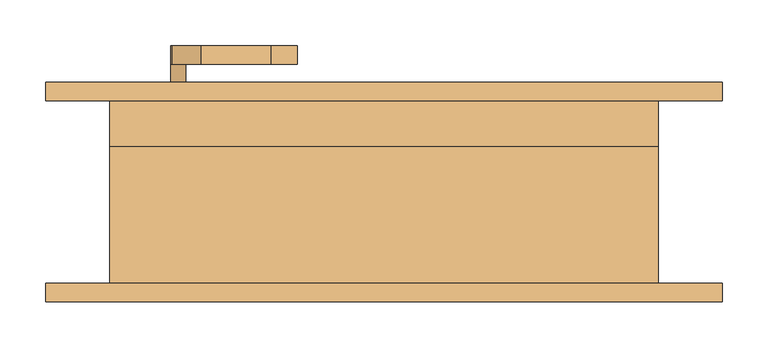
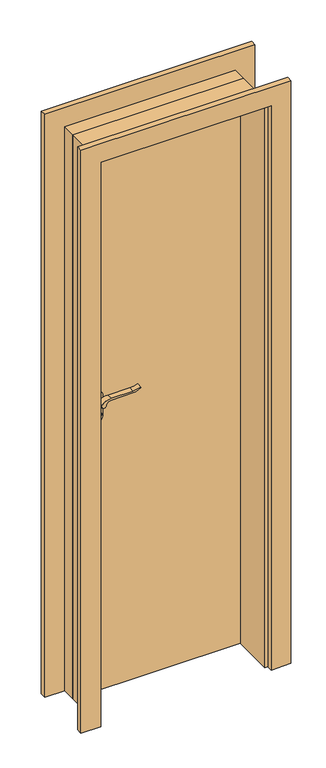
"""IFC4 building model written with IfcOpenShell, lengths in millimetres: door geometry."""

from ifc_helpers import new_model, si_unit, point, frame, frame_2d, origin, origin_with_axes, place, context, project, spatial, polyline, circle_curve, trimmed, segment, composite_curve, outline, extrude, source, transform, mapped, element, save


def door_48cdd9c5(model_context):
    return source(origin(), model_context, "Body", "SweptSolid", [
        extrude(outline(composite_curve([segment(trimmed(circle_curve(frame_2d((1040.0, -225.0)), 15.0), [point((1040.0, -210.0))], [point((1040.0, -240.0))], False, "CARTESIAN"), True, "CONTINUOUS"), segment(trimmed(circle_curve(frame_2d((1040.0, -225.0)), 15.0), [point((1040.0, -240.0))], [point((1040.0, -210.0))], False, "CARTESIAN"), True, "CONTINUOUS")], self_intersect=False)), frame((0.0, 30.0, 0.0), z_axis=(0.0, 1.0, 0.0), x_axis=(0.0, 0.0, 1.0)), (0.0, 0.0, 1.0), 10.0),
        extrude(outline(composite_curve([segment(trimmed(circle_curve(frame_2d((1040.0, -225.0)), 15.0), [point((1040.0, -210.0))], [point((1040.0, -240.0))], False, "CARTESIAN"), True, "CONTINUOUS"), segment(trimmed(circle_curve(frame_2d((1040.0, -225.0)), 15.0), [point((1040.0, -240.0))], [point((1040.0, -210.0))], False, "CARTESIAN"), True, "CONTINUOUS")], self_intersect=False)), frame((0.0, 110.0, 0.0), z_axis=(0.0, 1.0, 0.0), x_axis=(0.0, 0.0, 1.0)), (0.0, 0.0, 1.0), 10.0),
        extrude(outline(composite_curve([segment(trimmed(circle_curve(frame_2d((1100.0, -225.0)), 8.0), [point((1104.6523287, -231.5081363))], [point((1100.0, -217.0))], False, "CARTESIAN"), True, "CONTINUOUS"), segment(trimmed(circle_curve(frame_2d((1094.8738613, -199.6138099)), 18.1261387), [point((1100.0, -217.0))], [point((1113.0, -199.6138099))], True, "CARTESIAN"), True, "CONTINUOUS"), segment(polyline([(1113.0, -199.6138099), (1113.0, -123.3564091)]), True, "CONTINUOUS"), segment(trimmed(circle_curve(frame_2d((1172.2709207, -126.9396612)), 59.3791355), [point((1113.0, -123.3564091))], [point((1122.2135558, -95.0))], False, "CARTESIAN"), True, "CONTINUOUS"), segment(polyline([(1122.2135558, -95.0), (1125.0, -95.0)]), True, "CONTINUOUS"), segment(trimmed(circle_curve(frame_2d((1203.2850638, -123.4227909)), 83.2850902), [point((1125.0, -95.0))], [point((1120.0, -123.3564091))], True, "CARTESIAN"), True, "CONTINUOUS"), segment(polyline([(1120.0, -123.3564091), (1120.0, -199.6325667)]), True, "CONTINUOUS"), segment(trimmed(circle_curve(frame_2d((1082.7555521, -201.3324871)), 37.2832219), [point((1120.0, -199.6325667))], [point((1104.6523287, -231.5081363))], False, "CARTESIAN"), True, "CONTINUOUS")], self_intersect=False)), frame((0.0, -10.0, 0.0), z_axis=(0.0, 1.0, 0.0), x_axis=(0.0, 0.0, 1.0)), (0.0, 0.0, 1.0), 20.0),
        extrude(outline(composite_curve([segment(trimmed(circle_curve(frame_2d((1094.8738682, -199.6138122)), 18.1261318), [point((1099.9999903, -217.0))], [point((1113.0, -199.6138122))], True, "CARTESIAN"), True, "CONTINUOUS"), segment(polyline([(1113.0, -199.6138122), (1113.0, -123.3564091)]), True, "CONTINUOUS"), segment(trimmed(circle_curve(frame_2d((1172.2709207, -126.9396612)), 59.3791355), [point((1113.0, -123.3564091))], [point((1122.2135558, -95.0))], False, "CARTESIAN"), True, "CONTINUOUS"), segment(polyline([(1122.2135558, -95.0), (1125.0, -95.0)]), True, "CONTINUOUS"), segment(trimmed(circle_curve(frame_2d((1203.2850638, -123.4227909)), 83.2850902), [point((1125.0, -95.0))], [point((1120.0, -123.3564091))], True, "CARTESIAN"), True, "CONTINUOUS"), segment(polyline([(1120.0, -123.3564091), (1120.0, -199.6325667)]), True, "CONTINUOUS"), segment(trimmed(circle_curve(frame_2d((1082.7555521, -201.3324871)), 37.2832219), [point((1120.0, -199.6325667))], [point((1104.6523287, -231.5081363))], False, "CARTESIAN"), True, "CONTINUOUS"), segment(trimmed(circle_curve(frame_2d((1100.0, -225.0)), 8.0), [point((1104.6523287, -231.5081363))], [point((1099.9999903, -217.0))], False, "CARTESIAN"), True, "CONTINUOUS")], self_intersect=False)), frame((0.0, 140.0, 0.0), z_axis=(0.0, 1.0, 0.0), x_axis=(0.0, 0.0, 1.0)), (0.0, 0.0, 1.0), 20.0),
        extrude(outline(composite_curve([segment(trimmed(circle_curve(frame_2d((1100.0, -225.0)), 8.0), [point((1100.0, -217.0))], [point((1100.0, -233.0))], False, "CARTESIAN"), True, "CONTINUOUS"), segment(trimmed(circle_curve(frame_2d((1100.0, -225.0)), 8.0), [point((1100.0, -233.0))], [point((1100.0, -217.0))], False, "CARTESIAN"), True, "CONTINUOUS")], self_intersect=False)), frame((0.0, 10.0, 0.0), z_axis=(0.0, 1.0, 0.0), x_axis=(0.0, 0.0, 1.0)), (0.0, 0.0, 1.0), 30.0),
        extrude(outline(composite_curve([segment(trimmed(circle_curve(frame_2d((1100.0, -225.0)), 8.0), [point((1100.0, -217.0))], [point((1100.0, -233.0))], False, "CARTESIAN"), True, "CONTINUOUS"), segment(trimmed(circle_curve(frame_2d((1100.0, -225.0)), 8.0), [point((1100.0, -233.0))], [point((1100.0, -217.0))], False, "CARTESIAN"), True, "CONTINUOUS")], self_intersect=False)), frame((0.0, 110.0, 0.0), z_axis=(0.0, 1.0, 0.0), x_axis=(0.0, 0.0, 1.0)), (0.0, 0.0, 1.0), 30.0),
        extrude(outline(composite_curve([segment(trimmed(circle_curve(frame_2d((1030.0, -225.0)), 25.0), [point((1030.0, -250.0))], [point((1030.0, -200.0))], False, "CARTESIAN"), True, "CONTINUOUS"), segment(polyline([(1030.0, -200.0), (1100.0, -200.0)]), True, "CONTINUOUS"), segment(trimmed(circle_curve(frame_2d((1100.0, -225.0)), 25.0), [point((1100.0, -200.0))], [point((1100.0, -250.0))], False, "CARTESIAN"), True, "CONTINUOUS"), segment(polyline([(1100.0, -250.0), (1030.0, -250.0)]), True, "CONTINUOUS")], self_intersect=False)), frame((0.0, 40.0, 0.0), z_axis=(0.0, 1.0, 0.0), x_axis=(0.0, 0.0, 1.0)), (0.0, 0.0, 1.0), 10.0),
        extrude(outline(composite_curve([segment(trimmed(circle_curve(frame_2d((1030.0, -225.0)), 25.0), [point((1030.0, -250.0))], [point((1030.0, -200.0))], False, "CARTESIAN"), True, "CONTINUOUS"), segment(polyline([(1030.0, -200.0), (1100.0, -200.0)]), True, "CONTINUOUS"), segment(trimmed(circle_curve(frame_2d((1100.0, -225.0)), 25.0), [point((1100.0, -200.0))], [point((1100.0, -250.0))], False, "CARTESIAN"), True, "CONTINUOUS"), segment(polyline([(1100.0, -250.0), (1030.0, -250.0)]), True, "CONTINUOUS")], self_intersect=False)), frame((0.0, 100.0, 0.0), z_axis=(0.0, 1.0, 0.0), x_axis=(0.0, 0.0, 1.0)), (0.0, 0.0, 1.0), 10.0),
        extrude(outline(polyline([(300.0, 50.0), (-300.0, 50.0), (-300.0, 100.0), (300.0, 100.0), (300.0, 50.0)])), origin_with_axes(), (0.0, 0.0, 1.0), 2100.0),
        extrude(outline(polyline([(0.0, 300.0), (2100.0, 300.0), (2100.0, -300.0), (0.0, -300.0), (0.0, -290.0), (2090.0, -290.0), (2090.0, 290.0), (0.0, 290.0), (0.0, 300.0)])), frame((0.0, -100.0, 0.0), z_axis=(0.0, 1.0, 0.0), x_axis=(0.0, 0.0, 1.0)), (0.0, 0.0, 1.0), 150.0),
        extrude(outline(polyline([(0.0, 300.0), (0.0, 370.0), (2170.0, 370.0), (2170.0, -370.0), (0.0, -370.0), (0.0, -300.0), (2100.0, -300.0), (2100.0, 300.0), (0.0, 300.0)])), frame((0.0, 100.0, 0.0), z_axis=(0.0, 1.0, 0.0), x_axis=(0.0, 0.0, 1.0)), (0.0, 0.0, 1.0), 20.0),
        extrude(outline(polyline([(0.0, 300.0), (0.0, 370.0), (2170.0, 370.0), (2170.0, -370.0), (0.0, -370.0), (0.0, -300.0), (2100.0, -300.0), (2100.0, 300.0), (0.0, 300.0)])), frame((0.0, -120.0, 0.0), z_axis=(0.0, 1.0, 0.0), x_axis=(0.0, 0.0, 1.0)), (0.0, 0.0, 1.0), 20.0),
    ])


if __name__ == "__main__":
    model = new_model("IFC4")
    model_context = context("Model", 3, world=origin())
    ifc_project = project(units=[si_unit("LENGTHUNIT", "METRE", prefix="MILLI")], contexts=[model_context])
    site = spatial("IfcSite", under=ifc_project)
    building = spatial("IfcBuilding", under=site)
    placement = place(None, origin())
    door_shape = door_48cdd9c5(model_context)
    element("IfcDoor", 1, at=placement, inside=building, context=model_context, shape_type="MappedRepresentation", body=[
        mapped(door_shape, transform((0.0, 0.0, 0.0), x_axis=(1.0, 0.0, 0.0), y_axis=(0.0, 1.0, 0.0), z_axis=(0.0, 0.0, 1.0))),
    ])
    save(model, "model.ifc")
